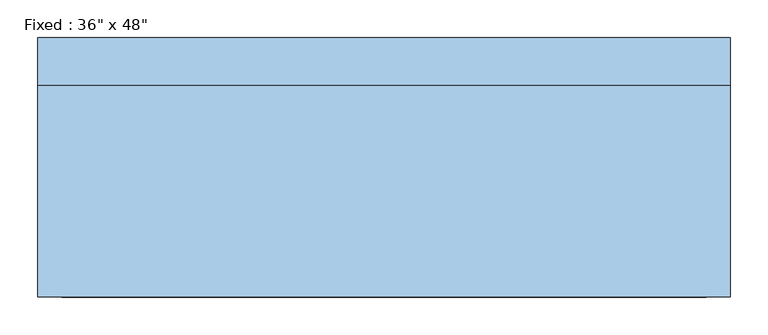
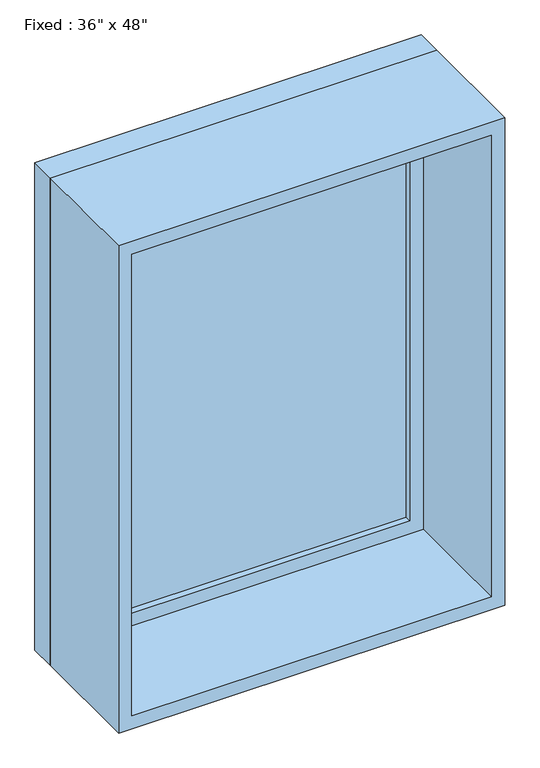
"""IFC4 building model written with IfcOpenShell, lengths in millimetres: window geometry."""

from ifc_helpers import new_model, si_unit, frame, origin, place, context, project, spatial, polyline, outline, extrude, source, transform, mapped, element, save


def window_2bda6a43(model_context):
    return source(origin(), model_context, "Body", "SweptSolid", [
        extrude(outline(polyline([(355.6, 123.825), (-431.8, 123.825), (-431.8, 136.525), (355.6, 136.525), (355.6, 123.825)])), frame((0.0, 0.0, 977.9), z_axis=(0.0, 0.0, 1.0), x_axis=(1.0, 0.0, 0.0)), (0.0, 0.0, 1.0), 1092.2),
        extrude(outline(polyline([(2114.55, -476.25), (933.45, -476.25), (933.45, 400.05), (2114.55, 400.05), (2114.55, -476.25)]), holes=[polyline([(2070.1, -431.8), (2070.1, 355.6), (977.9, 355.6), (977.9, -431.8), (2070.1, -431.8)])]), frame((0.0, 107.95, 0.0), z_axis=(0.0, 1.0, 0.0), x_axis=(0.0, 0.0, 1.0)), (0.0, 0.0, 1.0), 44.45),
        extrude(outline(polyline([(2133.6, -495.3), (914.4, -495.3), (914.4, 419.1), (2133.6, 419.1), (2133.6, -495.3)]), holes=[polyline([(2101.85, -463.55), (2101.85, 387.35), (946.15, 387.35), (946.15, -463.55), (2101.85, -463.55)])]), frame((0.0, -171.45, 0.0), z_axis=(0.0, 1.0, 0.0), x_axis=(0.0, 0.0, 1.0)), (0.0, 0.0, 1.0), 279.4),
        extrude(outline(polyline([(2133.6, 419.1), (2133.6, -495.3), (914.4, -495.3), (914.4, 419.1), (2133.6, 419.1)]), holes=[polyline([(2114.55, 400.05), (933.45, 400.05), (933.45, -476.25), (2114.55, -476.25), (2114.55, 400.05)])]), frame((0.0, 107.95, 0.0), z_axis=(0.0, 1.0, 0.0), x_axis=(0.0, 0.0, 1.0)), (0.0, 0.0, 1.0), 63.5),
    ])


if __name__ == "__main__":
    model = new_model("IFC4")
    model_context = context("Model", 3, world=origin())
    ifc_project = project(units=[si_unit("LENGTHUNIT", "METRE", prefix="MILLI")], contexts=[model_context])
    site = spatial("IfcSite", under=ifc_project)
    building = spatial("IfcBuilding", under=site)
    placement = place(None, origin())
    window_shape = window_2bda6a43(model_context)
    element("IfcWindow", 1, ObjectType="Fixed : 36\" x 48\"", at=placement, inside=building, context=model_context, shape_type="MappedRepresentation", body=[
        mapped(window_shape, transform((0.0, 0.0, 0.0), x_axis=(1.0, 0.0, 0.0), y_axis=(0.0, 1.0, 0.0), z_axis=(0.0, 0.0, 1.0))),
    ])
    save(model, "model.ifc")
